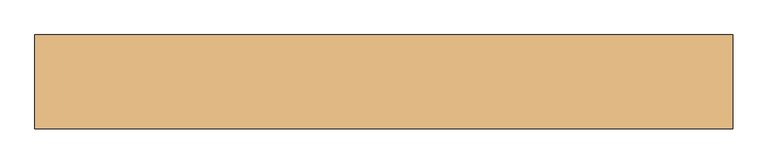
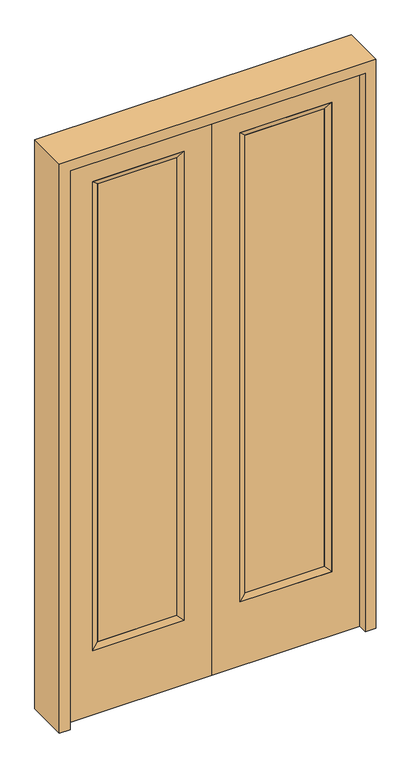
"""IFC4 building model written with IfcOpenShell, lengths in millimetres: door geometry."""

from ifc_helpers import new_model, si_unit, frame, origin, place, context, project, spatial, polyline, outline, extrude, faceted_brep, source, transform, mapped, element, save


def door_20433b18(model_context):
    return source(origin(), model_context, "Body", "SolidModel", [
        extrude(outline(polyline([(140.8176, -12.7039749), (140.8176, 14.2875), (468.7824, 14.2875), (468.7824, -12.7039749), (140.8176, -12.7039749)])), frame((0.0, 0.0, 304.8), z_axis=(0.0, 0.0, 1.0), x_axis=(1.0, 0.0, 0.0)), (0.0, 0.0, 1.0), 1997.5576),
        faceted_brep([(140.8176, 14.2875, 2302.3576), (140.8176, 14.2875, 304.8), (115.4176, 22.225, 279.4), (115.4176, 22.225, 2327.7576), (115.4176, -22.225, 279.4), (115.4176, -22.225, 2327.7576), (468.7824, 14.2875, 304.8), (494.1824, 22.225, 279.4), (140.8176, -12.7039749, 2302.3576), (140.8176, -12.7039749, 304.8), (468.7824, -12.7039749, 304.8), (494.1824, -22.225, 279.4), (468.7824, 14.2875, 2302.3576), (494.1824, 22.225, 2327.7576), (468.7824, -12.7039749, 2302.3576), (494.1824, -22.225, 2327.7576)], [[[0, 1, 2, 3]], [[3, 2, 4, 5]], [[1, 6, 7, 2]], [[8, 9, 1, 0]], [[9, 10, 6, 1]], [[5, 4, 9, 8]], [[4, 11, 10, 9]], [[2, 7, 11, 4]], [[6, 12, 13, 7]], [[10, 14, 12, 6]], [[11, 15, 14, 10]], [[7, 13, 15, 11]], [[12, 0, 3, 13]], [[14, 8, 0, 12]], [[15, 5, 8, 14]], [[13, 3, 5, 15]]]),
        extrude(outline(polyline([(0.0, 609.6), (2438.4, 609.6), (2438.4, 0.0), (0.0, 0.0), (0.0, 609.6)]), holes=[polyline([(279.4, 494.1824), (279.4, 115.4176), (2327.7576, 115.4176), (2327.7576, 494.1824), (279.4, 494.1824)])]), frame((0.0, -22.225, 0.0), z_axis=(0.0, 1.0, 0.0), x_axis=(0.0, 0.0, 1.0)), (0.0, 0.0, 1.0), 44.45),
        extrude(outline(polyline([(-140.8176, -12.7039749), (-468.7824, -12.7039749), (-468.7824, 14.2875), (-140.8176, 14.2875), (-140.8176, -12.7039749)])), frame((0.0, 0.0, 304.8), z_axis=(0.0, 0.0, 1.0), x_axis=(1.0, 0.0, 0.0)), (0.0, 0.0, 1.0), 1997.5576),
        faceted_brep([(-140.8176, 14.2875, 2302.3576), (-115.4176, 22.225, 2327.7576), (-115.4176, 22.225, 279.4), (-140.8176, 14.2875, 304.8), (-115.4176, -22.225, 2327.7576), (-115.4176, -22.225, 279.4), (-494.1824, 22.225, 279.4), (-468.7824, 14.2875, 304.8), (-140.8176, -12.7039749, 2302.3576), (-140.8176, -12.7039749, 304.8), (-468.7824, -12.7039749, 304.8), (-494.1824, -22.225, 279.4), (-494.1824, 22.225, 2327.7576), (-468.7824, 14.2875, 2302.3576), (-468.7824, -12.7039749, 2302.3576), (-494.1824, -22.225, 2327.7576)], [[[0, 1, 2, 3]], [[1, 4, 5, 2]], [[3, 2, 6, 7]], [[8, 0, 3, 9]], [[9, 3, 7, 10]], [[4, 8, 9, 5]], [[5, 9, 10, 11]], [[2, 5, 11, 6]], [[7, 6, 12, 13]], [[10, 7, 13, 14]], [[11, 10, 14, 15]], [[6, 11, 15, 12]], [[13, 12, 1, 0]], [[14, 13, 0, 8]], [[15, 14, 8, 4]], [[12, 15, 4, 1]]]),
        extrude(outline(polyline([(0.0, -609.6), (0.0, 0.0), (2438.4, 0.0), (2438.4, -609.6), (0.0, -609.6)]), holes=[polyline([(279.4, -494.1824), (2327.7576, -494.1824), (2327.7576, -115.4176), (279.4, -115.4176), (279.4, -494.1824)])]), frame((0.0, -22.225, 0.0), z_axis=(0.0, 1.0, 0.0), x_axis=(0.0, 0.0, 1.0)), (0.0, 0.0, 1.0), 44.45),
        extrude(outline(polyline([(0.0, -654.05), (0.0, -609.6), (2438.4, -609.6), (2438.4, 609.6), (0.0, 609.6), (0.0, 654.05), (2482.85, 654.05), (2482.85, -654.05), (0.0, -654.05)])), frame((0.0, -61.1, 0.0), z_axis=(0.0, 1.0, 0.0), x_axis=(0.0, 0.0, 1.0)), (0.0, 0.0, 1.0), 175.4),
    ])


if __name__ == "__main__":
    model = new_model("IFC4")
    model_context = context("Model", 3, world=origin())
    ifc_project = project(units=[si_unit("LENGTHUNIT", "METRE", prefix="MILLI")], contexts=[model_context])
    site = spatial("IfcSite", under=ifc_project)
    building = spatial("IfcBuilding", under=site)
    placement = place(None, origin())
    door_shape = door_20433b18(model_context)
    element("IfcDoor", 1, at=placement, inside=building, context=model_context, shape_type="MappedRepresentation", body=[
        mapped(door_shape, transform((0.0, 0.0, 0.0), x_axis=(1.0, 0.0, 0.0), y_axis=(0.0, 1.0, 0.0), z_axis=(0.0, 0.0, 1.0))),
    ])
    save(model, "model.ifc")
